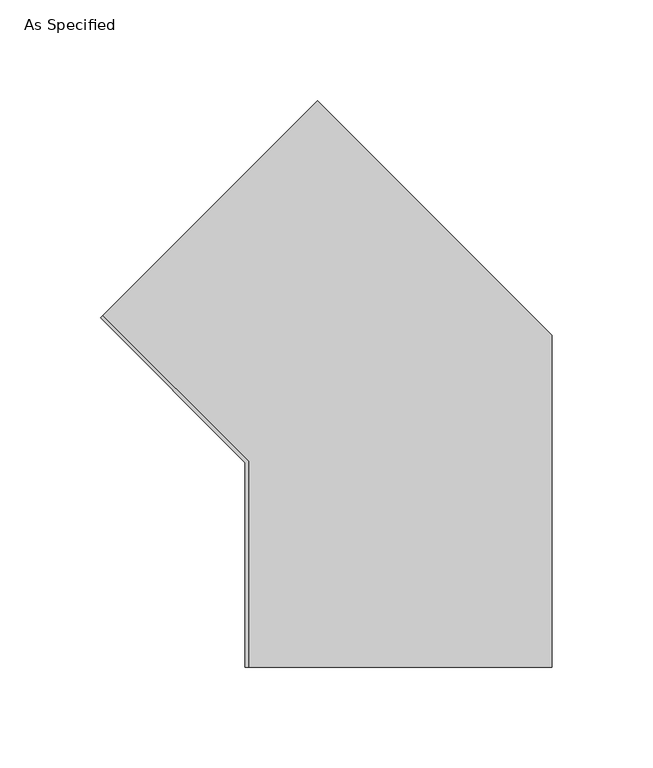
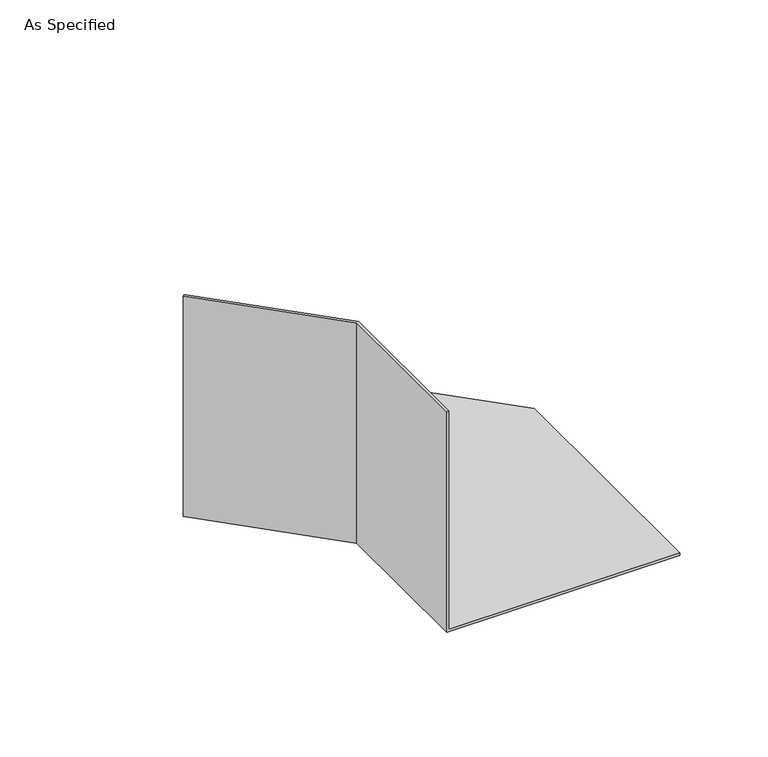
"""IFC4 building model written with IfcOpenShell, lengths in millimetres: proxy geometry, As Specified."""

from ifc_helpers import new_model, si_unit, origin, place, context, project, spatial, faceted_brep, source, transform, mapped, element, save


def as_specified_e75005af(model_context):
    return source(origin(), model_context, "Body", "Brep", [
        faceted_brep([(152.4, -101.6, 0.0), (152.4, -101.6, 1.5875), (1.5875, -101.6, 1.5875), (1.5875, -101.6, 152.4), (0.0, -101.6, 152.4), (0.0, -101.6, 0.0), (1.5875, 0.657564, 1.5875), (1.5875, 0.657564, 152.4), (-70.719517, 72.964581, 152.4), (-71.842049, 71.842049, 152.4), (0.0, 0.0, 152.4), (0.0, 0.0, 0.0), (-71.842049, 71.842049, 0.0), (35.9210245, 179.6051224, 0.0), (152.4, 63.1261469, 0.0), (-70.719517, 72.964581, 1.5875), (35.9210245, 179.6051224, 1.5875), (152.4, 63.1261469, 1.5875)], [[[0, 1, 2, 3, 4, 5]], [[3, 2, 6, 7]], [[4, 3, 7, 8, 9, 10]], [[5, 4, 10, 11]], [[0, 5, 11, 12, 13, 14]], [[13, 12, 9, 8, 15, 16]], [[7, 6, 15, 8]], [[11, 10, 9, 12]], [[1, 0, 14, 17]], [[2, 1, 17, 16, 15, 6]], [[17, 14, 13, 16]]]),
    ])


if __name__ == "__main__":
    model = new_model("IFC4")
    model_context = context("Model", 3, world=origin())
    ifc_project = project(units=[si_unit("LENGTHUNIT", "METRE", prefix="MILLI")], contexts=[model_context])
    site = spatial("IfcSite", under=ifc_project)
    building = spatial("IfcBuilding", under=site)
    placement = place(None, origin())
    as_specified_shape = as_specified_e75005af(model_context)
    element("IfcBuildingElementProxy", 1, Name="As Specified", ObjectType="As Specified", at=placement, inside=building, context=model_context, shape_type="MappedRepresentation", body=[
        mapped(as_specified_shape, transform((0.0, 0.0, 0.0), x_axis=(1.0, 0.0, 0.0), y_axis=(0.0, 1.0, 0.0), z_axis=(0.0, 0.0, 1.0))),
    ])
    save(model, "model.ifc")
